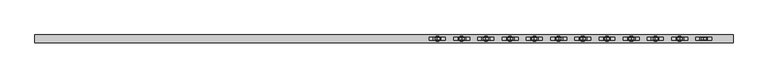
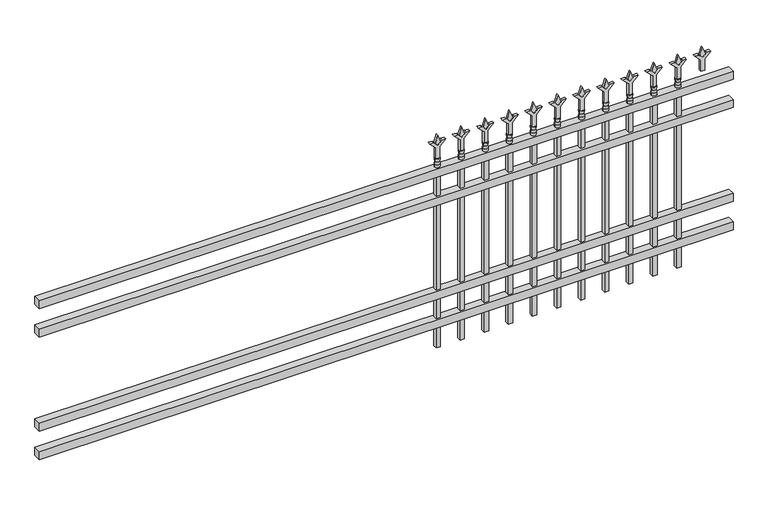
"""IFC4 building model written with IfcOpenShell, lengths in millimetres: railing geometry."""

from ifc_helpers import new_model, si_unit, frame, origin, place, context, project, spatial, polyline, circle_curve, outline, extrude, source, transform, mapped, element, save
from ifc_brep_helpers import plane_surface, cylinder_surface, revolved_surface, advanced_brep


def railing_808a8d66(model_context):
    return source(origin(), model_context, "Body", "SolidModel", [
        extrude(outline(polyline([(-85729.318087, -9187.1195174), (-85729.318087, -9152.1945174), (-82579.718087, -9152.1945174), (-82579.718087, -9187.1195174), (-85729.318087, -9187.1195174)])), frame((0.0, 0.0, 876.3), z_axis=(0.0, 0.0, 1.0), x_axis=(1.0, 0.0, 0.0)), (0.0, 0.0, 1.0), 38.1),
        extrude(outline(polyline([(-85729.318087, -9187.1195174), (-85729.318087, -9152.1945174), (-82579.718087, -9152.1945174), (-82579.718087, -9187.1195174), (-85729.318087, -9187.1195174)])), frame((0.0, 0.0, 739.775), z_axis=(0.0, 0.0, 1.0), x_axis=(1.0, 0.0, 0.0)), (0.0, 0.0, 1.0), 38.1),
        extrude(outline(polyline([(-85729.318087, -9187.1195174), (-85729.318087, -9152.1945174), (-82579.718087, -9152.1945174), (-82579.718087, -9187.1195174), (-85729.318087, -9187.1195174)])), frame((0.0, 0.0, 288.925), z_axis=(0.0, 0.0, 1.0), x_axis=(1.0, 0.0, 0.0)), (0.0, 0.0, 1.0), 38.1),
        extrude(outline(polyline([(-85729.318087, -9187.1195174), (-85729.318087, -9152.1945174), (-82579.718087, -9152.1945174), (-82579.718087, -9187.1195174), (-85729.318087, -9187.1195174)])), frame((0.0, 0.0, 152.4), z_axis=(0.0, 0.0, 1.0), x_axis=(1.0, 0.0, 0.0)), (0.0, 0.0, 1.0), 38.1),
        extrude(outline(polyline([(1031.08125, -82808.8472536), (1066.8, -82820.7535036), (1031.08125, -82832.6597536), (1019.175, -82820.7535036), (1031.08125, -82808.8472536)])), frame((0.0, -9174.4195174, 0.0), z_axis=(0.0, 1.0, 0.0), x_axis=(0.0, 0.0, 1.0)), (0.0, 0.0, 1.0), 9.525),
        extrude(outline(polyline([(955.675, -82812.0222536), (1009.9457378, -82812.0222536), (1037.1355122, -82784.8324791), (1037.1355122, -82802.7929914), (1019.175, -82820.7535036), (1037.1355122, -82838.7140159), (1037.1355122, -82856.6745281), (1009.9457378, -82829.4847536), (955.675, -82829.4847536), (955.675, -82812.0222536)])), frame((0.0, -9176.0070174, 0.0), z_axis=(0.0, 1.0, 0.0), x_axis=(0.0, 0.0, 1.0)), (0.0, 0.0, 1.0), 12.7),
        advanced_brep(
        [(-82808.8472536, -9169.6570174, 927.1), (-82832.6597536, -9169.6570174, 927.1), (-82832.6597536, -9169.6570174, 914.4), (-82808.8472536, -9169.6570174, 914.4), (-82811.0525855, -9169.6570174, 939.6070585), (-82830.4544218, -9169.6570174, 939.6070585), (-82808.8472536, -9169.6570174, 955.675), (-82832.6597536, -9169.6570174, 955.675), (-82820.7535036, -9169.6570174, 955.675), (-82820.7535036, -9169.6570174, 914.4)],
        [
            (0, 1, circle_curve(frame((-82820.7535036, -9169.6570174, 927.1), z_axis=(0.0, 0.0, -1.0), x_axis=(-1.0, 0.0, 0.0)), 11.90625)),
            (1, 2),
            (2, 3, circle_curve(frame((-82820.7535036, -9169.6570174, 914.4), z_axis=(0.0, 0.0, 1.0), x_axis=(-1.0, 0.0, 0.0)), 11.90625)),
            (3, 0),
            (1, 0, circle_curve(frame((-82820.7535036, -9169.6570174, 927.1), z_axis=(0.0, 0.0, -1.0), x_axis=(-1.0, 0.0, 0.0)), 11.90625)),
            (3, 2, circle_curve(frame((-82820.7535036, -9169.6570174, 914.4), z_axis=(0.0, 0.0, 1.0), x_axis=(-1.0, 0.0, 0.0)), 11.90625)),
            (4, 5, circle_curve(frame((-82820.7535036, -9169.6570174, 939.6070585), z_axis=(0.0, 0.0, -1.0), x_axis=(-1.0, 0.0, 0.0)), 9.7009181)),
            (5, 1),
            (0, 4),
            (5, 4, circle_curve(frame((-82820.7535036, -9169.6570174, 939.6070585), z_axis=(0.0, 0.0, -1.0), x_axis=(-1.0, 0.0, 0.0)), 9.7009181)),
            (6, 7, circle_curve(frame((-82820.7535036, -9169.6570174, 955.675), z_axis=(0.0, 0.0, -1.0), x_axis=(-1.0, 0.0, 0.0)), 11.90625)),
            (7, 5),
            (4, 6),
            (7, 6, circle_curve(frame((-82820.7535036, -9169.6570174, 955.675), z_axis=(0.0, 0.0, -1.0), x_axis=(-1.0, 0.0, 0.0)), 11.90625)),
            (8, 7),
            (6, 8),
            (2, 9),
            (9, 3),
        ],
        [
            cylinder_surface(frame((-82820.7535036, -9169.6570174, 914.4), z_axis=(0.0, 0.0, 1.0), x_axis=(-1.0, 0.0, 0.0)), 11.90625),
            revolved_surface(polyline([(-82832.6597536, -9169.6570174, 927.1), (-82830.4544218, -9169.6570174, 939.6070585)]), (-82820.7535036, -9169.6570174, 914.4), (0.0, 0.0, 1.0)),
            revolved_surface(polyline([(-82830.4544218, -9169.6570174, 939.6070585), (-82832.6597536, -9169.6570174, 955.675)]), (-82820.7535036, -9169.6570174, 914.4), (0.0, 0.0, 1.0)),
            plane_surface(frame((-82820.7535036, -9169.6570174, 955.675), z_axis=(0.0, 0.0, 1.0), x_axis=(-1.0, 0.0, 0.0))),
            plane_surface(frame((-82820.7535036, -9169.6570174, 914.4), z_axis=(0.0, 0.0, -1.0), x_axis=(-1.0, 0.0, 0.0))),
        ],
        [
            (0, [[1, 2, 3, 4]]),
            (0, [[5, -4, 6, -2]]),
            (1, [[7, 8, -1, 9]]),
            (1, [[10, -9, -5, -8]]),
            (2, [[11, 12, -7, 13]]),
            (2, [[14, -13, -10, -12]]),
            (3, [[15, -11, 16]]),
            (3, [[-16, -14, -15]]),
            (4, [[-3, 17, 18]]),
            (4, [[-6, -18, -17]]),
        ],
    ),
        extrude(outline(polyline([(-82830.2785036, -9160.1320174), (-82811.2285036, -9160.1320174), (-82811.2285036, -9179.1820174), (-82830.2785036, -9179.1820174), (-82830.2785036, -9160.1320174)])), frame((0.0, 0.0, 50.8), z_axis=(0.0, 0.0, 1.0), x_axis=(1.0, 0.0, 0.0)), (0.0, 0.0, 1.0), 863.6),
        extrude(outline(polyline([(1031.08125, -82918.1201703), (1066.8, -82930.0264203), (1031.08125, -82941.9326703), (1019.175, -82930.0264203), (1031.08125, -82918.1201703)])), frame((0.0, -9174.4195174, 0.0), z_axis=(0.0, 1.0, 0.0), x_axis=(0.0, 0.0, 1.0)), (0.0, 0.0, 1.0), 9.525),
        extrude(outline(polyline([(955.675, -82921.2951703), (1009.9457378, -82921.2951703), (1037.1355122, -82894.1053958), (1037.1355122, -82912.0659081), (1019.175, -82930.0264203), (1037.1355122, -82947.9869325), (1037.1355122, -82965.9474448), (1009.9457378, -82938.7576703), (955.675, -82938.7576703), (955.675, -82921.2951703)])), frame((0.0, -9176.0070174, 0.0), z_axis=(0.0, 1.0, 0.0), x_axis=(0.0, 0.0, 1.0)), (0.0, 0.0, 1.0), 12.7),
        advanced_brep(
        [(-82918.1201703, -9169.6570174, 927.1), (-82941.9326703, -9169.6570174, 927.1), (-82941.9326703, -9169.6570174, 914.4), (-82918.1201703, -9169.6570174, 914.4), (-82920.3255022, -9169.6570174, 939.6070585), (-82939.7273384, -9169.6570174, 939.6070585), (-82918.1201703, -9169.6570174, 955.675), (-82941.9326703, -9169.6570174, 955.675), (-82930.0264203, -9169.6570174, 955.675), (-82930.0264203, -9169.6570174, 914.4)],
        [
            (0, 1, circle_curve(frame((-82930.0264203, -9169.6570174, 927.1), z_axis=(0.0, 0.0, -1.0), x_axis=(-1.0, 0.0, 0.0)), 11.90625)),
            (1, 2),
            (2, 3, circle_curve(frame((-82930.0264203, -9169.6570174, 914.4), z_axis=(0.0, 0.0, 1.0), x_axis=(-1.0, 0.0, 0.0)), 11.90625)),
            (3, 0),
            (1, 0, circle_curve(frame((-82930.0264203, -9169.6570174, 927.1), z_axis=(0.0, 0.0, -1.0), x_axis=(-1.0, 0.0, 0.0)), 11.90625)),
            (3, 2, circle_curve(frame((-82930.0264203, -9169.6570174, 914.4), z_axis=(0.0, 0.0, 1.0), x_axis=(-1.0, 0.0, 0.0)), 11.90625)),
            (4, 5, circle_curve(frame((-82930.0264203, -9169.6570174, 939.6070585), z_axis=(0.0, 0.0, -1.0), x_axis=(-1.0, 0.0, 0.0)), 9.7009181)),
            (5, 1),
            (0, 4),
            (5, 4, circle_curve(frame((-82930.0264203, -9169.6570174, 939.6070585), z_axis=(0.0, 0.0, -1.0), x_axis=(-1.0, 0.0, 0.0)), 9.7009181)),
            (6, 7, circle_curve(frame((-82930.0264203, -9169.6570174, 955.675), z_axis=(0.0, 0.0, -1.0), x_axis=(-1.0, 0.0, 0.0)), 11.90625)),
            (7, 5),
            (4, 6),
            (7, 6, circle_curve(frame((-82930.0264203, -9169.6570174, 955.675), z_axis=(0.0, 0.0, -1.0), x_axis=(-1.0, 0.0, 0.0)), 11.90625)),
            (8, 7),
            (6, 8),
            (2, 9),
            (9, 3),
        ],
        [
            cylinder_surface(frame((-82930.0264203, -9169.6570174, 914.4), z_axis=(0.0, 0.0, 1.0), x_axis=(-1.0, 0.0, 0.0)), 11.90625),
            revolved_surface(polyline([(-82941.9326703, -9169.6570174, 927.1), (-82939.7273384, -9169.6570174, 939.6070585)]), (-82930.0264203, -9169.6570174, 914.4), (0.0, 0.0, 1.0)),
            revolved_surface(polyline([(-82939.7273384, -9169.6570174, 939.6070585), (-82941.9326703, -9169.6570174, 955.675)]), (-82930.0264203, -9169.6570174, 914.4), (0.0, 0.0, 1.0)),
            plane_surface(frame((-82930.0264203, -9169.6570174, 955.675), z_axis=(0.0, 0.0, 1.0), x_axis=(-1.0, 0.0, 0.0))),
            plane_surface(frame((-82930.0264203, -9169.6570174, 914.4), z_axis=(0.0, 0.0, -1.0), x_axis=(-1.0, 0.0, 0.0))),
        ],
        [
            (0, [[1, 2, 3, 4]]),
            (0, [[5, -4, 6, -2]]),
            (1, [[7, 8, -1, 9]]),
            (1, [[10, -9, -5, -8]]),
            (2, [[11, 12, -7, 13]]),
            (2, [[14, -13, -10, -12]]),
            (3, [[15, -11, 16]]),
            (3, [[-16, -14, -15]]),
            (4, [[-3, 17, 18]]),
            (4, [[-6, -18, -17]]),
        ],
    ),
        extrude(outline(polyline([(-82939.5514203, -9160.1320174), (-82920.5014203, -9160.1320174), (-82920.5014203, -9179.1820174), (-82939.5514203, -9179.1820174), (-82939.5514203, -9160.1320174)])), frame((0.0, 0.0, 50.8), z_axis=(0.0, 0.0, 1.0), x_axis=(1.0, 0.0, 0.0)), (0.0, 0.0, 1.0), 863.6),
        extrude(outline(polyline([(1031.08125, -83027.393087), (1066.8, -83039.299337), (1031.08125, -83051.205587), (1019.175, -83039.299337), (1031.08125, -83027.393087)])), frame((0.0, -9174.4195174, 0.0), z_axis=(0.0, 1.0, 0.0), x_axis=(0.0, 0.0, 1.0)), (0.0, 0.0, 1.0), 9.525),
        extrude(outline(polyline([(955.675, -83030.568087), (1009.9457378, -83030.568087), (1037.1355122, -83003.3783125), (1037.1355122, -83021.3388247), (1019.175, -83039.299337), (1037.1355122, -83057.2598492), (1037.1355122, -83075.2203614), (1009.9457378, -83048.030587), (955.675, -83048.030587), (955.675, -83030.568087)])), frame((0.0, -9176.0070174, 0.0), z_axis=(0.0, 1.0, 0.0), x_axis=(0.0, 0.0, 1.0)), (0.0, 0.0, 1.0), 12.7),
        advanced_brep(
        [(-83027.393087, -9169.6570174, 927.1), (-83051.205587, -9169.6570174, 927.1), (-83051.205587, -9169.6570174, 914.4), (-83027.393087, -9169.6570174, 914.4), (-83029.5984188, -9169.6570174, 939.6070585), (-83049.0002551, -9169.6570174, 939.6070585), (-83027.393087, -9169.6570174, 955.675), (-83051.205587, -9169.6570174, 955.675), (-83039.299337, -9169.6570174, 955.675), (-83039.299337, -9169.6570174, 914.4)],
        [
            (0, 1, circle_curve(frame((-83039.299337, -9169.6570174, 927.1), z_axis=(0.0, 0.0, -1.0), x_axis=(-1.0, 0.0, 0.0)), 11.90625)),
            (1, 2),
            (2, 3, circle_curve(frame((-83039.299337, -9169.6570174, 914.4), z_axis=(0.0, 0.0, 1.0), x_axis=(-1.0, 0.0, 0.0)), 11.90625)),
            (3, 0),
            (1, 0, circle_curve(frame((-83039.299337, -9169.6570174, 927.1), z_axis=(0.0, 0.0, -1.0), x_axis=(-1.0, 0.0, 0.0)), 11.90625)),
            (3, 2, circle_curve(frame((-83039.299337, -9169.6570174, 914.4), z_axis=(0.0, 0.0, 1.0), x_axis=(-1.0, 0.0, 0.0)), 11.90625)),
            (4, 5, circle_curve(frame((-83039.299337, -9169.6570174, 939.6070585), z_axis=(0.0, 0.0, -1.0), x_axis=(-1.0, 0.0, 0.0)), 9.7009181)),
            (5, 1),
            (0, 4),
            (5, 4, circle_curve(frame((-83039.299337, -9169.6570174, 939.6070585), z_axis=(0.0, 0.0, -1.0), x_axis=(-1.0, 0.0, 0.0)), 9.7009181)),
            (6, 7, circle_curve(frame((-83039.299337, -9169.6570174, 955.675), z_axis=(0.0, 0.0, -1.0), x_axis=(-1.0, 0.0, 0.0)), 11.90625)),
            (7, 5),
            (4, 6),
            (7, 6, circle_curve(frame((-83039.299337, -9169.6570174, 955.675), z_axis=(0.0, 0.0, -1.0), x_axis=(-1.0, 0.0, 0.0)), 11.90625)),
            (8, 7),
            (6, 8),
            (2, 9),
            (9, 3),
        ],
        [
            cylinder_surface(frame((-83039.299337, -9169.6570174, 914.4), z_axis=(0.0, 0.0, 1.0), x_axis=(-1.0, 0.0, 0.0)), 11.90625),
            revolved_surface(polyline([(-83051.205587, -9169.6570174, 927.1), (-83049.0002551, -9169.6570174, 939.6070585)]), (-83039.299337, -9169.6570174, 914.4), (0.0, 0.0, 1.0)),
            revolved_surface(polyline([(-83049.0002551, -9169.6570174, 939.6070585), (-83051.205587, -9169.6570174, 955.675)]), (-83039.299337, -9169.6570174, 914.4), (0.0, 0.0, 1.0)),
            plane_surface(frame((-83039.299337, -9169.6570174, 955.675), z_axis=(0.0, 0.0, 1.0), x_axis=(-1.0, 0.0, 0.0))),
            plane_surface(frame((-83039.299337, -9169.6570174, 914.4), z_axis=(0.0, 0.0, -1.0), x_axis=(-1.0, 0.0, 0.0))),
        ],
        [
            (0, [[1, 2, 3, 4]]),
            (0, [[5, -4, 6, -2]]),
            (1, [[7, 8, -1, 9]]),
            (1, [[10, -9, -5, -8]]),
            (2, [[11, 12, -7, 13]]),
            (2, [[14, -13, -10, -12]]),
            (3, [[15, -11, 16]]),
            (3, [[-16, -14, -15]]),
            (4, [[-3, 17, 18]]),
            (4, [[-6, -18, -17]]),
        ],
    ),
        extrude(outline(polyline([(-83048.824337, -9160.1320174), (-83029.774337, -9160.1320174), (-83029.774337, -9179.1820174), (-83048.824337, -9179.1820174), (-83048.824337, -9160.1320174)])), frame((0.0, 0.0, 50.8), z_axis=(0.0, 0.0, 1.0), x_axis=(1.0, 0.0, 0.0)), (0.0, 0.0, 1.0), 863.6),
        extrude(outline(polyline([(1031.08125, -83136.6660036), (1066.8, -83148.5722536), (1031.08125, -83160.4785036), (1019.175, -83148.5722536), (1031.08125, -83136.6660036)])), frame((0.0, -9174.4195174, 0.0), z_axis=(0.0, 1.0, 0.0), x_axis=(0.0, 0.0, 1.0)), (0.0, 0.0, 1.0), 9.525),
        extrude(outline(polyline([(955.675, -83139.8410036), (1009.9457378, -83139.8410036), (1037.1355122, -83112.6512291), (1037.1355122, -83130.6117414), (1019.175, -83148.5722536), (1037.1355122, -83166.5327659), (1037.1355122, -83184.4932781), (1009.9457378, -83157.3035036), (955.675, -83157.3035036), (955.675, -83139.8410036)])), frame((0.0, -9176.0070174, 0.0), z_axis=(0.0, 1.0, 0.0), x_axis=(0.0, 0.0, 1.0)), (0.0, 0.0, 1.0), 12.7),
        advanced_brep(
        [(-83136.6660036, -9169.6570174, 927.1), (-83160.4785036, -9169.6570174, 927.1), (-83160.4785036, -9169.6570174, 914.4), (-83136.6660036, -9169.6570174, 914.4), (-83138.8713355, -9169.6570174, 939.6070585), (-83158.2731718, -9169.6570174, 939.6070585), (-83136.6660036, -9169.6570174, 955.675), (-83160.4785036, -9169.6570174, 955.675), (-83148.5722536, -9169.6570174, 955.675), (-83148.5722536, -9169.6570174, 914.4)],
        [
            (0, 1, circle_curve(frame((-83148.5722536, -9169.6570174, 927.1), z_axis=(0.0, 0.0, -1.0), x_axis=(-1.0, 0.0, 0.0)), 11.90625)),
            (1, 2),
            (2, 3, circle_curve(frame((-83148.5722536, -9169.6570174, 914.4), z_axis=(0.0, 0.0, 1.0), x_axis=(-1.0, 0.0, 0.0)), 11.90625)),
            (3, 0),
            (1, 0, circle_curve(frame((-83148.5722536, -9169.6570174, 927.1), z_axis=(0.0, 0.0, -1.0), x_axis=(-1.0, 0.0, 0.0)), 11.90625)),
            (3, 2, circle_curve(frame((-83148.5722536, -9169.6570174, 914.4), z_axis=(0.0, 0.0, 1.0), x_axis=(-1.0, 0.0, 0.0)), 11.90625)),
            (4, 5, circle_curve(frame((-83148.5722536, -9169.6570174, 939.6070585), z_axis=(0.0, 0.0, -1.0), x_axis=(-1.0, 0.0, 0.0)), 9.7009181)),
            (5, 1),
            (0, 4),
            (5, 4, circle_curve(frame((-83148.5722536, -9169.6570174, 939.6070585), z_axis=(0.0, 0.0, -1.0), x_axis=(-1.0, 0.0, 0.0)), 9.7009181)),
            (6, 7, circle_curve(frame((-83148.5722536, -9169.6570174, 955.675), z_axis=(0.0, 0.0, -1.0), x_axis=(-1.0, 0.0, 0.0)), 11.90625)),
            (7, 5),
            (4, 6),
            (7, 6, circle_curve(frame((-83148.5722536, -9169.6570174, 955.675), z_axis=(0.0, 0.0, -1.0), x_axis=(-1.0, 0.0, 0.0)), 11.90625)),
            (8, 7),
            (6, 8),
            (2, 9),
            (9, 3),
        ],
        [
            cylinder_surface(frame((-83148.5722536, -9169.6570174, 914.4), z_axis=(0.0, 0.0, 1.0), x_axis=(-1.0, 0.0, 0.0)), 11.90625),
            revolved_surface(polyline([(-83160.4785036, -9169.6570174, 927.1), (-83158.2731718, -9169.6570174, 939.6070585)]), (-83148.5722536, -9169.6570174, 914.4), (0.0, 0.0, 1.0)),
            revolved_surface(polyline([(-83158.2731718, -9169.6570174, 939.6070585), (-83160.4785036, -9169.6570174, 955.675)]), (-83148.5722536, -9169.6570174, 914.4), (0.0, 0.0, 1.0)),
            plane_surface(frame((-83148.5722536, -9169.6570174, 955.675), z_axis=(0.0, 0.0, 1.0), x_axis=(-1.0, 0.0, 0.0))),
            plane_surface(frame((-83148.5722536, -9169.6570174, 914.4), z_axis=(0.0, 0.0, -1.0), x_axis=(-1.0, 0.0, 0.0))),
        ],
        [
            (0, [[1, 2, 3, 4]]),
            (0, [[5, -4, 6, -2]]),
            (1, [[7, 8, -1, 9]]),
            (1, [[10, -9, -5, -8]]),
            (2, [[11, 12, -7, 13]]),
            (2, [[14, -13, -10, -12]]),
            (3, [[15, -11, 16]]),
            (3, [[-16, -14, -15]]),
            (4, [[-3, 17, 18]]),
            (4, [[-6, -18, -17]]),
        ],
    ),
        extrude(outline(polyline([(-83158.0972536, -9160.1320174), (-83139.0472536, -9160.1320174), (-83139.0472536, -9179.1820174), (-83158.0972536, -9179.1820174), (-83158.0972536, -9160.1320174)])), frame((0.0, 0.0, 50.8), z_axis=(0.0, 0.0, 1.0), x_axis=(1.0, 0.0, 0.0)), (0.0, 0.0, 1.0), 863.6),
        extrude(outline(polyline([(1031.08125, -83245.9389203), (1066.8, -83257.8451703), (1031.08125, -83269.7514203), (1019.175, -83257.8451703), (1031.08125, -83245.9389203)])), frame((0.0, -9174.4195174, 0.0), z_axis=(0.0, 1.0, 0.0), x_axis=(0.0, 0.0, 1.0)), (0.0, 0.0, 1.0), 9.525),
        extrude(outline(polyline([(955.675, -83249.1139203), (1009.9457378, -83249.1139203), (1037.1355122, -83221.9241458), (1037.1355122, -83239.8846581), (1019.175, -83257.8451703), (1037.1355122, -83275.8056825), (1037.1355122, -83293.7661948), (1009.9457378, -83266.5764203), (955.675, -83266.5764203), (955.675, -83249.1139203)])), frame((0.0, -9176.0070174, 0.0), z_axis=(0.0, 1.0, 0.0), x_axis=(0.0, 0.0, 1.0)), (0.0, 0.0, 1.0), 12.7),
        advanced_brep(
        [(-83245.9389203, -9169.6570174, 927.1), (-83269.7514203, -9169.6570174, 927.1), (-83269.7514203, -9169.6570174, 914.4), (-83245.9389203, -9169.6570174, 914.4), (-83248.1442522, -9169.6570174, 939.6070585), (-83267.5460884, -9169.6570174, 939.6070585), (-83245.9389203, -9169.6570174, 955.675), (-83269.7514203, -9169.6570174, 955.675), (-83257.8451703, -9169.6570174, 955.675), (-83257.8451703, -9169.6570174, 914.4)],
        [
            (0, 1, circle_curve(frame((-83257.8451703, -9169.6570174, 927.1), z_axis=(0.0, 0.0, -1.0), x_axis=(-1.0, 0.0, 0.0)), 11.90625)),
            (1, 2),
            (2, 3, circle_curve(frame((-83257.8451703, -9169.6570174, 914.4), z_axis=(0.0, 0.0, 1.0), x_axis=(-1.0, 0.0, 0.0)), 11.90625)),
            (3, 0),
            (1, 0, circle_curve(frame((-83257.8451703, -9169.6570174, 927.1), z_axis=(0.0, 0.0, -1.0), x_axis=(-1.0, 0.0, 0.0)), 11.90625)),
            (3, 2, circle_curve(frame((-83257.8451703, -9169.6570174, 914.4), z_axis=(0.0, 0.0, 1.0), x_axis=(-1.0, 0.0, 0.0)), 11.90625)),
            (4, 5, circle_curve(frame((-83257.8451703, -9169.6570174, 939.6070585), z_axis=(0.0, 0.0, -1.0), x_axis=(-1.0, 0.0, 0.0)), 9.7009181)),
            (5, 1),
            (0, 4),
            (5, 4, circle_curve(frame((-83257.8451703, -9169.6570174, 939.6070585), z_axis=(0.0, 0.0, -1.0), x_axis=(-1.0, 0.0, 0.0)), 9.7009181)),
            (6, 7, circle_curve(frame((-83257.8451703, -9169.6570174, 955.675), z_axis=(0.0, 0.0, -1.0), x_axis=(-1.0, 0.0, 0.0)), 11.90625)),
            (7, 5),
            (4, 6),
            (7, 6, circle_curve(frame((-83257.8451703, -9169.6570174, 955.675), z_axis=(0.0, 0.0, -1.0), x_axis=(-1.0, 0.0, 0.0)), 11.90625)),
            (8, 7),
            (6, 8),
            (2, 9),
            (9, 3),
        ],
        [
            cylinder_surface(frame((-83257.8451703, -9169.6570174, 914.4), z_axis=(0.0, 0.0, 1.0), x_axis=(-1.0, 0.0, 0.0)), 11.90625),
            revolved_surface(polyline([(-83269.7514203, -9169.6570174, 927.1), (-83267.5460884, -9169.6570174, 939.6070585)]), (-83257.8451703, -9169.6570174, 914.4), (0.0, 0.0, 1.0)),
            revolved_surface(polyline([(-83267.5460884, -9169.6570174, 939.6070585), (-83269.7514203, -9169.6570174, 955.675)]), (-83257.8451703, -9169.6570174, 914.4), (0.0, 0.0, 1.0)),
            plane_surface(frame((-83257.8451703, -9169.6570174, 955.675), z_axis=(0.0, 0.0, 1.0), x_axis=(-1.0, 0.0, 0.0))),
            plane_surface(frame((-83257.8451703, -9169.6570174, 914.4), z_axis=(0.0, 0.0, -1.0), x_axis=(-1.0, 0.0, 0.0))),
        ],
        [
            (0, [[1, 2, 3, 4]]),
            (0, [[5, -4, 6, -2]]),
            (1, [[7, 8, -1, 9]]),
            (1, [[10, -9, -5, -8]]),
            (2, [[11, 12, -7, 13]]),
            (2, [[14, -13, -10, -12]]),
            (3, [[15, -11, 16]]),
            (3, [[-16, -14, -15]]),
            (4, [[-3, 17, 18]]),
            (4, [[-6, -18, -17]]),
        ],
    ),
        extrude(outline(polyline([(-83267.3701703, -9160.1320174), (-83248.3201703, -9160.1320174), (-83248.3201703, -9179.1820174), (-83267.3701703, -9179.1820174), (-83267.3701703, -9160.1320174)])), frame((0.0, 0.0, 50.8), z_axis=(0.0, 0.0, 1.0), x_axis=(1.0, 0.0, 0.0)), (0.0, 0.0, 1.0), 863.6),
        extrude(outline(polyline([(1031.08125, -83355.211837), (1066.8, -83367.118087), (1031.08125, -83379.024337), (1019.175, -83367.118087), (1031.08125, -83355.211837)])), frame((0.0, -9174.4195174, 0.0), z_axis=(0.0, 1.0, 0.0), x_axis=(0.0, 0.0, 1.0)), (0.0, 0.0, 1.0), 9.525),
        extrude(outline(polyline([(955.675, -83358.386837), (1009.9457378, -83358.386837), (1037.1355122, -83331.1970625), (1037.1355122, -83349.1575747), (1019.175, -83367.118087), (1037.1355122, -83385.0785992), (1037.1355122, -83403.0391114), (1009.9457378, -83375.849337), (955.675, -83375.849337), (955.675, -83358.386837)])), frame((0.0, -9176.0070174, 0.0), z_axis=(0.0, 1.0, 0.0), x_axis=(0.0, 0.0, 1.0)), (0.0, 0.0, 1.0), 12.7),
        advanced_brep(
        [(-83355.211837, -9169.6570174, 927.1), (-83379.024337, -9169.6570174, 927.1), (-83379.024337, -9169.6570174, 914.4), (-83355.211837, -9169.6570174, 914.4), (-83357.4171688, -9169.6570174, 939.6070585), (-83376.8190051, -9169.6570174, 939.6070585), (-83355.211837, -9169.6570174, 955.675), (-83379.024337, -9169.6570174, 955.675), (-83367.118087, -9169.6570174, 955.675), (-83367.118087, -9169.6570174, 914.4)],
        [
            (0, 1, circle_curve(frame((-83367.118087, -9169.6570174, 927.1), z_axis=(0.0, 0.0, -1.0), x_axis=(-1.0, 0.0, 0.0)), 11.90625)),
            (1, 2),
            (2, 3, circle_curve(frame((-83367.118087, -9169.6570174, 914.4), z_axis=(0.0, 0.0, 1.0), x_axis=(-1.0, 0.0, 0.0)), 11.90625)),
            (3, 0),
            (1, 0, circle_curve(frame((-83367.118087, -9169.6570174, 927.1), z_axis=(0.0, 0.0, -1.0), x_axis=(-1.0, 0.0, 0.0)), 11.90625)),
            (3, 2, circle_curve(frame((-83367.118087, -9169.6570174, 914.4), z_axis=(0.0, 0.0, 1.0), x_axis=(-1.0, 0.0, 0.0)), 11.90625)),
            (4, 5, circle_curve(frame((-83367.118087, -9169.6570174, 939.6070585), z_axis=(0.0, 0.0, -1.0), x_axis=(-1.0, 0.0, 0.0)), 9.7009181)),
            (5, 1),
            (0, 4),
            (5, 4, circle_curve(frame((-83367.118087, -9169.6570174, 939.6070585), z_axis=(0.0, 0.0, -1.0), x_axis=(-1.0, 0.0, 0.0)), 9.7009181)),
            (6, 7, circle_curve(frame((-83367.118087, -9169.6570174, 955.675), z_axis=(0.0, 0.0, -1.0), x_axis=(-1.0, 0.0, 0.0)), 11.90625)),
            (7, 5),
            (4, 6),
            (7, 6, circle_curve(frame((-83367.118087, -9169.6570174, 955.675), z_axis=(0.0, 0.0, -1.0), x_axis=(-1.0, 0.0, 0.0)), 11.90625)),
            (8, 7),
            (6, 8),
            (2, 9),
            (9, 3),
        ],
        [
            cylinder_surface(frame((-83367.118087, -9169.6570174, 914.4), z_axis=(0.0, 0.0, 1.0), x_axis=(-1.0, 0.0, 0.0)), 11.90625),
            revolved_surface(polyline([(-83379.024337, -9169.6570174, 927.1), (-83376.8190051, -9169.6570174, 939.6070585)]), (-83367.118087, -9169.6570174, 914.4), (0.0, 0.0, 1.0)),
            revolved_surface(polyline([(-83376.8190051, -9169.6570174, 939.6070585), (-83379.024337, -9169.6570174, 955.675)]), (-83367.118087, -9169.6570174, 914.4), (0.0, 0.0, 1.0)),
            plane_surface(frame((-83367.118087, -9169.6570174, 955.675), z_axis=(0.0, 0.0, 1.0), x_axis=(-1.0, 0.0, 0.0))),
            plane_surface(frame((-83367.118087, -9169.6570174, 914.4), z_axis=(0.0, 0.0, -1.0), x_axis=(-1.0, 0.0, 0.0))),
        ],
        [
            (0, [[1, 2, 3, 4]]),
            (0, [[5, -4, 6, -2]]),
            (1, [[7, 8, -1, 9]]),
            (1, [[10, -9, -5, -8]]),
            (2, [[11, 12, -7, 13]]),
            (2, [[14, -13, -10, -12]]),
            (3, [[15, -11, 16]]),
            (3, [[-16, -14, -15]]),
            (4, [[-3, 17, 18]]),
            (4, [[-6, -18, -17]]),
        ],
    ),
        extrude(outline(polyline([(-83376.643087, -9160.1320174), (-83357.593087, -9160.1320174), (-83357.593087, -9179.1820174), (-83376.643087, -9179.1820174), (-83376.643087, -9160.1320174)])), frame((0.0, 0.0, 50.8), z_axis=(0.0, 0.0, 1.0), x_axis=(1.0, 0.0, 0.0)), (0.0, 0.0, 1.0), 863.6),
        extrude(outline(polyline([(1031.08125, -83464.4847536), (1066.8, -83476.3910036), (1031.08125, -83488.2972536), (1019.175, -83476.3910036), (1031.08125, -83464.4847536)])), frame((0.0, -9174.4195174, 0.0), z_axis=(0.0, 1.0, 0.0), x_axis=(0.0, 0.0, 1.0)), (0.0, 0.0, 1.0), 9.525),
        extrude(outline(polyline([(955.675, -83467.6597536), (1009.9457378, -83467.6597536), (1037.1355122, -83440.4699791), (1037.1355122, -83458.4304914), (1019.175, -83476.3910036), (1037.1355122, -83494.3515159), (1037.1355122, -83512.3120281), (1009.9457378, -83485.1222536), (955.675, -83485.1222536), (955.675, -83467.6597536)])), frame((0.0, -9176.0070174, 0.0), z_axis=(0.0, 1.0, 0.0), x_axis=(0.0, 0.0, 1.0)), (0.0, 0.0, 1.0), 12.7),
        advanced_brep(
        [(-83464.4847536, -9169.6570174, 927.1), (-83488.2972536, -9169.6570174, 927.1), (-83488.2972536, -9169.6570174, 914.4), (-83464.4847536, -9169.6570174, 914.4), (-83466.6900855, -9169.6570174, 939.6070585), (-83486.0919218, -9169.6570174, 939.6070585), (-83464.4847536, -9169.6570174, 955.675), (-83488.2972536, -9169.6570174, 955.675), (-83476.3910036, -9169.6570174, 955.675), (-83476.3910036, -9169.6570174, 914.4)],
        [
            (0, 1, circle_curve(frame((-83476.3910036, -9169.6570174, 927.1), z_axis=(0.0, 0.0, -1.0), x_axis=(-1.0, 0.0, 0.0)), 11.90625)),
            (1, 2),
            (2, 3, circle_curve(frame((-83476.3910036, -9169.6570174, 914.4), z_axis=(0.0, 0.0, 1.0), x_axis=(-1.0, 0.0, 0.0)), 11.90625)),
            (3, 0),
            (1, 0, circle_curve(frame((-83476.3910036, -9169.6570174, 927.1), z_axis=(0.0, 0.0, -1.0), x_axis=(-1.0, 0.0, 0.0)), 11.90625)),
            (3, 2, circle_curve(frame((-83476.3910036, -9169.6570174, 914.4), z_axis=(0.0, 0.0, 1.0), x_axis=(-1.0, 0.0, 0.0)), 11.90625)),
            (4, 5, circle_curve(frame((-83476.3910036, -9169.6570174, 939.6070585), z_axis=(0.0, 0.0, -1.0), x_axis=(-1.0, 0.0, 0.0)), 9.7009181)),
            (5, 1),
            (0, 4),
            (5, 4, circle_curve(frame((-83476.3910036, -9169.6570174, 939.6070585), z_axis=(0.0, 0.0, -1.0), x_axis=(-1.0, 0.0, 0.0)), 9.7009181)),
            (6, 7, circle_curve(frame((-83476.3910036, -9169.6570174, 955.675), z_axis=(0.0, 0.0, -1.0), x_axis=(-1.0, 0.0, 0.0)), 11.90625)),
            (7, 5),
            (4, 6),
            (7, 6, circle_curve(frame((-83476.3910036, -9169.6570174, 955.675), z_axis=(0.0, 0.0, -1.0), x_axis=(-1.0, 0.0, 0.0)), 11.90625)),
            (8, 7),
            (6, 8),
            (2, 9),
            (9, 3),
        ],
        [
            cylinder_surface(frame((-83476.3910036, -9169.6570174, 914.4), z_axis=(0.0, 0.0, 1.0), x_axis=(-1.0, 0.0, 0.0)), 11.90625),
            revolved_surface(polyline([(-83488.2972536, -9169.6570174, 927.1), (-83486.0919218, -9169.6570174, 939.6070585)]), (-83476.3910036, -9169.6570174, 914.4), (0.0, 0.0, 1.0)),
            revolved_surface(polyline([(-83486.0919218, -9169.6570174, 939.6070585), (-83488.2972536, -9169.6570174, 955.675)]), (-83476.3910036, -9169.6570174, 914.4), (0.0, 0.0, 1.0)),
            plane_surface(frame((-83476.3910036, -9169.6570174, 955.675), z_axis=(0.0, 0.0, 1.0), x_axis=(-1.0, 0.0, 0.0))),
            plane_surface(frame((-83476.3910036, -9169.6570174, 914.4), z_axis=(0.0, 0.0, -1.0), x_axis=(-1.0, 0.0, 0.0))),
        ],
        [
            (0, [[1, 2, 3, 4]]),
            (0, [[5, -4, 6, -2]]),
            (1, [[7, 8, -1, 9]]),
            (1, [[10, -9, -5, -8]]),
            (2, [[11, 12, -7, 13]]),
            (2, [[14, -13, -10, -12]]),
            (3, [[15, -11, 16]]),
            (3, [[-16, -14, -15]]),
            (4, [[-3, 17, 18]]),
            (4, [[-6, -18, -17]]),
        ],
    ),
        extrude(outline(polyline([(-83485.9160036, -9160.1320174), (-83466.8660036, -9160.1320174), (-83466.8660036, -9179.1820174), (-83485.9160036, -9179.1820174), (-83485.9160036, -9160.1320174)])), frame((0.0, 0.0, 50.8), z_axis=(0.0, 0.0, 1.0), x_axis=(1.0, 0.0, 0.0)), (0.0, 0.0, 1.0), 863.6),
        extrude(outline(polyline([(1031.08125, -83573.7576703), (1066.8, -83585.6639203), (1031.08125, -83597.5701703), (1019.175, -83585.6639203), (1031.08125, -83573.7576703)])), frame((0.0, -9174.4195174, 0.0), z_axis=(0.0, 1.0, 0.0), x_axis=(0.0, 0.0, 1.0)), (0.0, 0.0, 1.0), 9.525),
        extrude(outline(polyline([(955.675, -83576.9326703), (1009.9457378, -83576.9326703), (1037.1355122, -83549.7428958), (1037.1355122, -83567.7034081), (1019.175, -83585.6639203), (1037.1355122, -83603.6244325), (1037.1355122, -83621.5849448), (1009.9457378, -83594.3951703), (955.675, -83594.3951703), (955.675, -83576.9326703)])), frame((0.0, -9176.0070174, 0.0), z_axis=(0.0, 1.0, 0.0), x_axis=(0.0, 0.0, 1.0)), (0.0, 0.0, 1.0), 12.7),
        advanced_brep(
        [(-83573.7576703, -9169.6570174, 927.1), (-83597.5701703, -9169.6570174, 927.1), (-83597.5701703, -9169.6570174, 914.4), (-83573.7576703, -9169.6570174, 914.4), (-83575.9630022, -9169.6570174, 939.6070585), (-83595.3648384, -9169.6570174, 939.6070585), (-83573.7576703, -9169.6570174, 955.675), (-83597.5701703, -9169.6570174, 955.675), (-83585.6639203, -9169.6570174, 955.675), (-83585.6639203, -9169.6570174, 914.4)],
        [
            (0, 1, circle_curve(frame((-83585.6639203, -9169.6570174, 927.1), z_axis=(0.0, 0.0, -1.0), x_axis=(-1.0, 0.0, 0.0)), 11.90625)),
            (1, 2),
            (2, 3, circle_curve(frame((-83585.6639203, -9169.6570174, 914.4), z_axis=(0.0, 0.0, 1.0), x_axis=(-1.0, 0.0, 0.0)), 11.90625)),
            (3, 0),
            (1, 0, circle_curve(frame((-83585.6639203, -9169.6570174, 927.1), z_axis=(0.0, 0.0, -1.0), x_axis=(-1.0, 0.0, 0.0)), 11.90625)),
            (3, 2, circle_curve(frame((-83585.6639203, -9169.6570174, 914.4), z_axis=(0.0, 0.0, 1.0), x_axis=(-1.0, 0.0, 0.0)), 11.90625)),
            (4, 5, circle_curve(frame((-83585.6639203, -9169.6570174, 939.6070585), z_axis=(0.0, 0.0, -1.0), x_axis=(-1.0, 0.0, 0.0)), 9.7009181)),
            (5, 1),
            (0, 4),
            (5, 4, circle_curve(frame((-83585.6639203, -9169.6570174, 939.6070585), z_axis=(0.0, 0.0, -1.0), x_axis=(-1.0, 0.0, 0.0)), 9.7009181)),
            (6, 7, circle_curve(frame((-83585.6639203, -9169.6570174, 955.675), z_axis=(0.0, 0.0, -1.0), x_axis=(-1.0, 0.0, 0.0)), 11.90625)),
            (7, 5),
            (4, 6),
            (7, 6, circle_curve(frame((-83585.6639203, -9169.6570174, 955.675), z_axis=(0.0, 0.0, -1.0), x_axis=(-1.0, 0.0, 0.0)), 11.90625)),
            (8, 7),
            (6, 8),
            (2, 9),
            (9, 3),
        ],
        [
            cylinder_surface(frame((-83585.6639203, -9169.6570174, 914.4), z_axis=(0.0, 0.0, 1.0), x_axis=(-1.0, 0.0, 0.0)), 11.90625),
            revolved_surface(polyline([(-83597.5701703, -9169.6570174, 927.1), (-83595.3648384, -9169.6570174, 939.6070585)]), (-83585.6639203, -9169.6570174, 914.4), (0.0, 0.0, 1.0)),
            revolved_surface(polyline([(-83595.3648384, -9169.6570174, 939.6070585), (-83597.5701703, -9169.6570174, 955.675)]), (-83585.6639203, -9169.6570174, 914.4), (0.0, 0.0, 1.0)),
            plane_surface(frame((-83585.6639203, -9169.6570174, 955.675), z_axis=(0.0, 0.0, 1.0), x_axis=(-1.0, 0.0, 0.0))),
            plane_surface(frame((-83585.6639203, -9169.6570174, 914.4), z_axis=(0.0, 0.0, -1.0), x_axis=(-1.0, 0.0, 0.0))),
        ],
        [
            (0, [[1, 2, 3, 4]]),
            (0, [[5, -4, 6, -2]]),
            (1, [[7, 8, -1, 9]]),
            (1, [[10, -9, -5, -8]]),
            (2, [[11, 12, -7, 13]]),
            (2, [[14, -13, -10, -12]]),
            (3, [[15, -11, 16]]),
            (3, [[-16, -14, -15]]),
            (4, [[-3, 17, 18]]),
            (4, [[-6, -18, -17]]),
        ],
    ),
        extrude(outline(polyline([(-83595.1889203, -9160.1320174), (-83576.1389203, -9160.1320174), (-83576.1389203, -9179.1820174), (-83595.1889203, -9179.1820174), (-83595.1889203, -9160.1320174)])), frame((0.0, 0.0, 50.8), z_axis=(0.0, 0.0, 1.0), x_axis=(1.0, 0.0, 0.0)), (0.0, 0.0, 1.0), 863.6),
        extrude(outline(polyline([(1031.08125, -83683.030587), (1066.8, -83694.936837), (1031.08125, -83706.843087), (1019.175, -83694.936837), (1031.08125, -83683.030587)])), frame((0.0, -9174.4195174, 0.0), z_axis=(0.0, 1.0, 0.0), x_axis=(0.0, 0.0, 1.0)), (0.0, 0.0, 1.0), 9.525),
        extrude(outline(polyline([(955.675, -83686.205587), (1009.9457378, -83686.205587), (1037.1355122, -83659.0158125), (1037.1355122, -83676.9763247), (1019.175, -83694.936837), (1037.1355122, -83712.8973492), (1037.1355122, -83730.8578614), (1009.9457378, -83703.668087), (955.675, -83703.668087), (955.675, -83686.205587)])), frame((0.0, -9176.0070174, 0.0), z_axis=(0.0, 1.0, 0.0), x_axis=(0.0, 0.0, 1.0)), (0.0, 0.0, 1.0), 12.7),
        advanced_brep(
        [(-83683.030587, -9169.6570174, 927.1), (-83706.843087, -9169.6570174, 927.1), (-83706.843087, -9169.6570174, 914.4), (-83683.030587, -9169.6570174, 914.4), (-83685.2359188, -9169.6570174, 939.6070585), (-83704.6377551, -9169.6570174, 939.6070585), (-83683.030587, -9169.6570174, 955.675), (-83706.843087, -9169.6570174, 955.675), (-83694.936837, -9169.6570174, 955.675), (-83694.936837, -9169.6570174, 914.4)],
        [
            (0, 1, circle_curve(frame((-83694.936837, -9169.6570174, 927.1), z_axis=(0.0, 0.0, -1.0), x_axis=(-1.0, 0.0, 0.0)), 11.90625)),
            (1, 2),
            (2, 3, circle_curve(frame((-83694.936837, -9169.6570174, 914.4), z_axis=(0.0, 0.0, 1.0), x_axis=(-1.0, 0.0, 0.0)), 11.90625)),
            (3, 0),
            (1, 0, circle_curve(frame((-83694.936837, -9169.6570174, 927.1), z_axis=(0.0, 0.0, -1.0), x_axis=(-1.0, 0.0, 0.0)), 11.90625)),
            (3, 2, circle_curve(frame((-83694.936837, -9169.6570174, 914.4), z_axis=(0.0, 0.0, 1.0), x_axis=(-1.0, 0.0, 0.0)), 11.90625)),
            (4, 5, circle_curve(frame((-83694.936837, -9169.6570174, 939.6070585), z_axis=(0.0, 0.0, -1.0), x_axis=(-1.0, 0.0, 0.0)), 9.7009181)),
            (5, 1),
            (0, 4),
            (5, 4, circle_curve(frame((-83694.936837, -9169.6570174, 939.6070585), z_axis=(0.0, 0.0, -1.0), x_axis=(-1.0, 0.0, 0.0)), 9.7009181)),
            (6, 7, circle_curve(frame((-83694.936837, -9169.6570174, 955.675), z_axis=(0.0, 0.0, -1.0), x_axis=(-1.0, 0.0, 0.0)), 11.90625)),
            (7, 5),
            (4, 6),
            (7, 6, circle_curve(frame((-83694.936837, -9169.6570174, 955.675), z_axis=(0.0, 0.0, -1.0), x_axis=(-1.0, 0.0, 0.0)), 11.90625)),
            (8, 7),
            (6, 8),
            (2, 9),
            (9, 3),
        ],
        [
            cylinder_surface(frame((-83694.936837, -9169.6570174, 914.4), z_axis=(0.0, 0.0, 1.0), x_axis=(-1.0, 0.0, 0.0)), 11.90625),
            revolved_surface(polyline([(-83706.843087, -9169.6570174, 927.1), (-83704.6377551, -9169.6570174, 939.6070585)]), (-83694.936837, -9169.6570174, 914.4), (0.0, 0.0, 1.0)),
            revolved_surface(polyline([(-83704.6377551, -9169.6570174, 939.6070585), (-83706.843087, -9169.6570174, 955.675)]), (-83694.936837, -9169.6570174, 914.4), (0.0, 0.0, 1.0)),
            plane_surface(frame((-83694.936837, -9169.6570174, 955.675), z_axis=(0.0, 0.0, 1.0), x_axis=(-1.0, 0.0, 0.0))),
            plane_surface(frame((-83694.936837, -9169.6570174, 914.4), z_axis=(0.0, 0.0, -1.0), x_axis=(-1.0, 0.0, 0.0))),
        ],
        [
            (0, [[1, 2, 3, 4]]),
            (0, [[5, -4, 6, -2]]),
            (1, [[7, 8, -1, 9]]),
            (1, [[10, -9, -5, -8]]),
            (2, [[11, 12, -7, 13]]),
            (2, [[14, -13, -10, -12]]),
            (3, [[15, -11, 16]]),
            (3, [[-16, -14, -15]]),
            (4, [[-3, 17, 18]]),
            (4, [[-6, -18, -17]]),
        ],
    ),
        extrude(outline(polyline([(-83704.461837, -9160.1320174), (-83685.411837, -9160.1320174), (-83685.411837, -9179.1820174), (-83704.461837, -9179.1820174), (-83704.461837, -9160.1320174)])), frame((0.0, 0.0, 50.8), z_axis=(0.0, 0.0, 1.0), x_axis=(1.0, 0.0, 0.0)), (0.0, 0.0, 1.0), 863.6),
        extrude(outline(polyline([(1031.08125, -83792.3035036), (1066.8, -83804.2097536), (1031.08125, -83816.1160036), (1019.175, -83804.2097536), (1031.08125, -83792.3035036)])), frame((0.0, -9174.4195174, 0.0), z_axis=(0.0, 1.0, 0.0), x_axis=(0.0, 0.0, 1.0)), (0.0, 0.0, 1.0), 9.525),
        extrude(outline(polyline([(955.675, -83795.4785036), (1009.9457378, -83795.4785036), (1037.1355122, -83768.2887291), (1037.1355122, -83786.2492414), (1019.175, -83804.2097536), (1037.1355122, -83822.1702659), (1037.1355122, -83840.1307781), (1009.9457378, -83812.9410036), (955.675, -83812.9410036), (955.675, -83795.4785036)])), frame((0.0, -9176.0070174, 0.0), z_axis=(0.0, 1.0, 0.0), x_axis=(0.0, 0.0, 1.0)), (0.0, 0.0, 1.0), 12.7),
        advanced_brep(
        [(-83792.3035036, -9169.6570174, 927.1), (-83816.1160036, -9169.6570174, 927.1), (-83816.1160036, -9169.6570174, 914.4), (-83792.3035036, -9169.6570174, 914.4), (-83794.5088355, -9169.6570174, 939.6070585), (-83813.9106718, -9169.6570174, 939.6070585), (-83792.3035036, -9169.6570174, 955.675), (-83816.1160036, -9169.6570174, 955.675), (-83804.2097536, -9169.6570174, 955.675), (-83804.2097536, -9169.6570174, 914.4)],
        [
            (0, 1, circle_curve(frame((-83804.2097536, -9169.6570174, 927.1), z_axis=(0.0, 0.0, -1.0), x_axis=(-1.0, 0.0, 0.0)), 11.90625)),
            (1, 2),
            (2, 3, circle_curve(frame((-83804.2097536, -9169.6570174, 914.4), z_axis=(0.0, 0.0, 1.0), x_axis=(-1.0, 0.0, 0.0)), 11.90625)),
            (3, 0),
            (1, 0, circle_curve(frame((-83804.2097536, -9169.6570174, 927.1), z_axis=(0.0, 0.0, -1.0), x_axis=(-1.0, 0.0, 0.0)), 11.90625)),
            (3, 2, circle_curve(frame((-83804.2097536, -9169.6570174, 914.4), z_axis=(0.0, 0.0, 1.0), x_axis=(-1.0, 0.0, 0.0)), 11.90625)),
            (4, 5, circle_curve(frame((-83804.2097536, -9169.6570174, 939.6070585), z_axis=(0.0, 0.0, -1.0), x_axis=(-1.0, 0.0, 0.0)), 9.7009181)),
            (5, 1),
            (0, 4),
            (5, 4, circle_curve(frame((-83804.2097536, -9169.6570174, 939.6070585), z_axis=(0.0, 0.0, -1.0), x_axis=(-1.0, 0.0, 0.0)), 9.7009181)),
            (6, 7, circle_curve(frame((-83804.2097536, -9169.6570174, 955.675), z_axis=(0.0, 0.0, -1.0), x_axis=(-1.0, 0.0, 0.0)), 11.90625)),
            (7, 5),
            (4, 6),
            (7, 6, circle_curve(frame((-83804.2097536, -9169.6570174, 955.675), z_axis=(0.0, 0.0, -1.0), x_axis=(-1.0, 0.0, 0.0)), 11.90625)),
            (8, 7),
            (6, 8),
            (2, 9),
            (9, 3),
        ],
        [
            cylinder_surface(frame((-83804.2097536, -9169.6570174, 914.4), z_axis=(0.0, 0.0, 1.0), x_axis=(-1.0, 0.0, 0.0)), 11.90625),
            revolved_surface(polyline([(-83816.1160036, -9169.6570174, 927.1), (-83813.9106718, -9169.6570174, 939.6070585)]), (-83804.2097536, -9169.6570174, 914.4), (0.0, 0.0, 1.0)),
            revolved_surface(polyline([(-83813.9106718, -9169.6570174, 939.6070585), (-83816.1160036, -9169.6570174, 955.675)]), (-83804.2097536, -9169.6570174, 914.4), (0.0, 0.0, 1.0)),
            plane_surface(frame((-83804.2097536, -9169.6570174, 955.675), z_axis=(0.0, 0.0, 1.0), x_axis=(-1.0, 0.0, 0.0))),
            plane_surface(frame((-83804.2097536, -9169.6570174, 914.4), z_axis=(0.0, 0.0, -1.0), x_axis=(-1.0, 0.0, 0.0))),
        ],
        [
            (0, [[1, 2, 3, 4]]),
            (0, [[5, -4, 6, -2]]),
            (1, [[7, 8, -1, 9]]),
            (1, [[10, -9, -5, -8]]),
            (2, [[11, 12, -7, 13]]),
            (2, [[14, -13, -10, -12]]),
            (3, [[15, -11, 16]]),
            (3, [[-16, -14, -15]]),
            (4, [[-3, 17, 18]]),
            (4, [[-6, -18, -17]]),
        ],
    ),
        extrude(outline(polyline([(-83813.7347536, -9160.1320174), (-83794.6847536, -9160.1320174), (-83794.6847536, -9179.1820174), (-83813.7347536, -9179.1820174), (-83813.7347536, -9160.1320174)])), frame((0.0, 0.0, 50.8), z_axis=(0.0, 0.0, 1.0), x_axis=(1.0, 0.0, 0.0)), (0.0, 0.0, 1.0), 863.6),
        extrude(outline(polyline([(1031.08125, -83901.5764203), (1066.8, -83913.4826703), (1031.08125, -83925.3889203), (1019.175, -83913.4826703), (1031.08125, -83901.5764203)])), frame((0.0, -9174.4195174, 0.0), z_axis=(0.0, 1.0, 0.0), x_axis=(0.0, 0.0, 1.0)), (0.0, 0.0, 1.0), 9.525),
        extrude(outline(polyline([(955.675, -83904.7514203), (1009.9457378, -83904.7514203), (1037.1355122, -83877.5616458), (1037.1355122, -83895.5221581), (1019.175, -83913.4826703), (1037.1355122, -83931.4431825), (1037.1355122, -83949.4036948), (1009.9457378, -83922.2139203), (955.675, -83922.2139203), (955.675, -83904.7514203)])), frame((0.0, -9176.0070174, 0.0), z_axis=(0.0, 1.0, 0.0), x_axis=(0.0, 0.0, 1.0)), (0.0, 0.0, 1.0), 12.7),
        advanced_brep(
        [(-83901.5764203, -9169.6570174, 927.1), (-83925.3889203, -9169.6570174, 927.1), (-83925.3889203, -9169.6570174, 914.4), (-83901.5764203, -9169.6570174, 914.4), (-83903.7817522, -9169.6570174, 939.6070585), (-83923.1835884, -9169.6570174, 939.6070585), (-83901.5764203, -9169.6570174, 955.675), (-83925.3889203, -9169.6570174, 955.675), (-83913.4826703, -9169.6570174, 955.675), (-83913.4826703, -9169.6570174, 914.4)],
        [
            (0, 1, circle_curve(frame((-83913.4826703, -9169.6570174, 927.1), z_axis=(0.0, 0.0, -1.0), x_axis=(-1.0, 0.0, 0.0)), 11.90625)),
            (1, 2),
            (2, 3, circle_curve(frame((-83913.4826703, -9169.6570174, 914.4), z_axis=(0.0, 0.0, 1.0), x_axis=(-1.0, 0.0, 0.0)), 11.90625)),
            (3, 0),
            (1, 0, circle_curve(frame((-83913.4826703, -9169.6570174, 927.1), z_axis=(0.0, 0.0, -1.0), x_axis=(-1.0, 0.0, 0.0)), 11.90625)),
            (3, 2, circle_curve(frame((-83913.4826703, -9169.6570174, 914.4), z_axis=(0.0, 0.0, 1.0), x_axis=(-1.0, 0.0, 0.0)), 11.90625)),
            (4, 5, circle_curve(frame((-83913.4826703, -9169.6570174, 939.6070585), z_axis=(0.0, 0.0, -1.0), x_axis=(-1.0, 0.0, 0.0)), 9.7009181)),
            (5, 1),
            (0, 4),
            (5, 4, circle_curve(frame((-83913.4826703, -9169.6570174, 939.6070585), z_axis=(0.0, 0.0, -1.0), x_axis=(-1.0, 0.0, 0.0)), 9.7009181)),
            (6, 7, circle_curve(frame((-83913.4826703, -9169.6570174, 955.675), z_axis=(0.0, 0.0, -1.0), x_axis=(-1.0, 0.0, 0.0)), 11.90625)),
            (7, 5),
            (4, 6),
            (7, 6, circle_curve(frame((-83913.4826703, -9169.6570174, 955.675), z_axis=(0.0, 0.0, -1.0), x_axis=(-1.0, 0.0, 0.0)), 11.90625)),
            (8, 7),
            (6, 8),
            (2, 9),
            (9, 3),
        ],
        [
            cylinder_surface(frame((-83913.4826703, -9169.6570174, 914.4), z_axis=(0.0, 0.0, 1.0), x_axis=(-1.0, 0.0, 0.0)), 11.90625),
            revolved_surface(polyline([(-83925.3889203, -9169.6570174, 927.1), (-83923.1835884, -9169.6570174, 939.6070585)]), (-83913.4826703, -9169.6570174, 914.4), (0.0, 0.0, 1.0)),
            revolved_surface(polyline([(-83923.1835884, -9169.6570174, 939.6070585), (-83925.3889203, -9169.6570174, 955.675)]), (-83913.4826703, -9169.6570174, 914.4), (0.0, 0.0, 1.0)),
            plane_surface(frame((-83913.4826703, -9169.6570174, 955.675), z_axis=(0.0, 0.0, 1.0), x_axis=(-1.0, 0.0, 0.0))),
            plane_surface(frame((-83913.4826703, -9169.6570174, 914.4), z_axis=(0.0, 0.0, -1.0), x_axis=(-1.0, 0.0, 0.0))),
        ],
        [
            (0, [[1, 2, 3, 4]]),
            (0, [[5, -4, 6, -2]]),
            (1, [[7, 8, -1, 9]]),
            (1, [[10, -9, -5, -8]]),
            (2, [[11, 12, -7, 13]]),
            (2, [[14, -13, -10, -12]]),
            (3, [[15, -11, 16]]),
            (3, [[-16, -14, -15]]),
            (4, [[-3, 17, 18]]),
            (4, [[-6, -18, -17]]),
        ],
    ),
        extrude(outline(polyline([(-83923.0076703, -9160.1320174), (-83903.9576703, -9160.1320174), (-83903.9576703, -9179.1820174), (-83923.0076703, -9179.1820174), (-83923.0076703, -9160.1320174)])), frame((0.0, 0.0, 50.8), z_axis=(0.0, 0.0, 1.0), x_axis=(1.0, 0.0, 0.0)), (0.0, 0.0, 1.0), 863.6),
        extrude(outline(polyline([(1031.08125, -82699.574337), (1066.8, -82711.480587), (1031.08125, -82723.386837), (1019.175, -82711.480587), (1031.08125, -82699.574337)])), frame((0.0, -9174.4195174, 0.0), z_axis=(0.0, 1.0, 0.0), x_axis=(0.0, 0.0, 1.0)), (0.0, 0.0, 1.0), 9.525),
        extrude(outline(polyline([(955.675, -82702.749337), (1009.9457378, -82702.749337), (1037.1355122, -82675.5595625), (1037.1355122, -82693.5200747), (1019.175, -82711.480587), (1037.1355122, -82729.4410992), (1037.1355122, -82747.4016114), (1009.9457378, -82720.211837), (955.675, -82720.211837), (955.675, -82702.749337)])), frame((0.0, -9176.0070174, 0.0), z_axis=(0.0, 1.0, 0.0), x_axis=(0.0, 0.0, 1.0)), (0.0, 0.0, 1.0), 12.7),
    ])


if __name__ == "__main__":
    model = new_model("IFC4")
    model_context = context("Model", 3, world=origin())
    ifc_project = project(units=[si_unit("LENGTHUNIT", "METRE", prefix="MILLI")], contexts=[model_context])
    site = spatial("IfcSite", under=ifc_project)
    building = spatial("IfcBuilding", under=site)
    placement = place(None, origin())
    railing_shape = railing_808a8d66(model_context)
    element("IfcRailing", 1, at=placement, inside=building, context=model_context, shape_type="MappedRepresentation", body=[
        mapped(railing_shape, transform((0.0, 0.0, 0.0), x_axis=(1.0, 0.0, 0.0), y_axis=(0.0, 1.0, 0.0), z_axis=(0.0, 0.0, 1.0))),
    ])
    save(model, "model.ifc")
